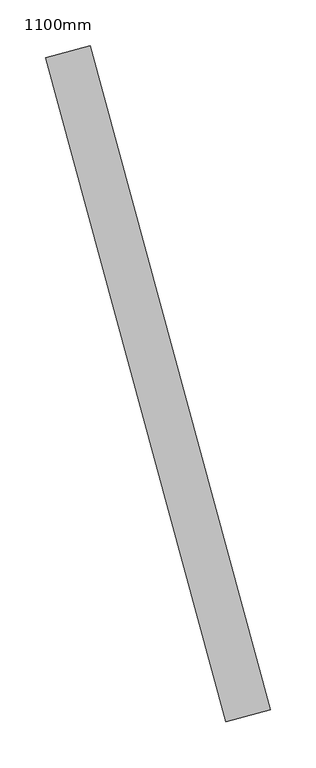
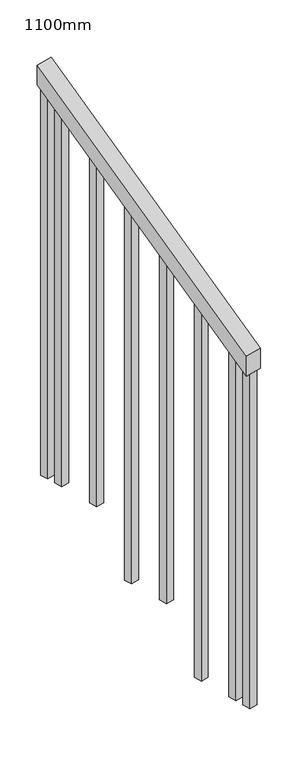
"""IFC4 building model written with IfcOpenShell, lengths in millimetres: railing geometry, 1100mm."""

from ifc_helpers import new_model, si_unit, frame, origin, place, context, project, spatial, polyline, outline, extrude, source, transform, mapped, element, save


def railing_1100mm_8376b59d(model_context):
    return source(origin(), model_context, "Body", "SweptSolid", [
        extrude(outline(polyline([(-35.5555555, -50.0), (0.0, 0.0), (920.2958462, 0.0), (884.7402906, -50.0), (-35.5555555, -50.0)])), frame((220113.0693397, 77414.5171261, 1277.7777778), z_axis=(0.9649894123601832, 0.26228883703419115, 0.0), x_axis=(-0.21375368431595732, 0.7864232597553903, 0.5795237863600252)), (0.0, 0.0, 1.0), 50.0),
        extrude(outline(polyline([(1271.980277, -25.0), (108.8888889, -25.0), (91.1111112, 0.0), (1271.980277, 0.0), (1271.980277, -25.0)])), frame((219941.5295214, 78093.2883252, 1805.3136103), z_axis=(0.9649894123601837, 0.26228883703418915, 0.0), x_axis=(0.0, 0.0, -1.0)), (0.0, 0.0, 1.0), 25.0),
        extrude(outline(polyline([(1183.0913881, -25.0000001), (108.8888889, -25.0000001), (91.1111111, 0.0), (1183.0913881, 0.0), (1183.0913881, -25.0000001)])), frame((219974.315626, 77972.6646487, 1716.4247214), z_axis=(0.9649894123601837, 0.26228883703418915, 0.0), x_axis=(0.0, 0.0, -1.0)), (0.0, 0.0, 1.0), 25.0),
        extrude(outline(polyline([(1271.9802769, -25.0), (108.8888889, -25.0), (91.1111111, 0.0), (1271.9802769, 0.0), (1271.9802769, -25.0)])), frame((220007.1017307, 77852.0409721, 1627.5358325), z_axis=(0.9649894123601837, 0.26228883703418915, 0.0), x_axis=(0.0, 0.0, -1.0)), (0.0, 0.0, 1.0), 25.0),
        extrude(outline(polyline([(1183.091388, -25.0), (108.8888889, -25.0), (91.1111111, 0.0), (1183.091388, 0.0), (1183.091388, -25.0)])), frame((220039.8878353, 77731.4172956, 1538.6469436), z_axis=(0.9649894123601837, 0.26228883703418915, 0.0), x_axis=(0.0, 0.0, -1.0)), (0.0, 0.0, 1.0), 25.0),
        extrude(outline(polyline([(1271.9802769, -25.0), (108.8888889, -25.0), (91.1111111, 0.0), (1271.9802769, 0.0), (1271.9802769, -25.0)])), frame((220072.6739399, 77610.793619, 1449.7580547), z_axis=(0.9649894123601837, 0.26228883703418915, 0.0), x_axis=(0.0, 0.0, -1.0)), (0.0, 0.0, 1.0), 25.0),
        extrude(outline(polyline([(1183.091388, -25.0), (108.8888889, -25.0), (91.1111111, 0.0), (1183.091388, 0.0), (1183.091388, -25.0)])), frame((220105.4600445, 77490.1699425, 1360.8691658), z_axis=(0.9649894123601837, 0.26228883703418915, 0.0), x_axis=(0.0, 0.0, -1.0)), (0.0, 0.0, 1.0), 25.0),
        extrude(outline(polyline([(1307.5358325, -25.0), (108.8888889, -25.0), (91.1111111, 0.0), (1307.5358325, 0.0), (1307.5358325, -25.0)])), frame((219928.4150796, 78141.5377958, 1840.8691658), z_axis=(0.9649894123601837, 0.26228883703418915, 0.0), x_axis=(0.0, 0.0, -1.0)), (0.0, 0.0, 1.0), 25.0),
        extrude(outline(polyline([(1147.5358325, -25.0), (108.8888889, -25.0), (91.1111112, 0.0), (1147.5358325, 0.0), (1147.5358325, -25.0)])), frame((220118.5744864, 77441.9204719, 1325.3136103), z_axis=(0.9649894123601837, 0.26228883703418915, 0.0), x_axis=(0.0, 0.0, -1.0)), (0.0, 0.0, 1.0), 25.0),
    ])


if __name__ == "__main__":
    model = new_model("IFC4")
    model_context = context("Model", 3, world=origin())
    ifc_project = project(units=[si_unit("LENGTHUNIT", "METRE", prefix="MILLI")], contexts=[model_context])
    site = spatial("IfcSite", under=ifc_project)
    building = spatial("IfcBuilding", under=site)
    placement = place(None, origin())
    railing_1100mm_shape = railing_1100mm_8376b59d(model_context)
    element("IfcRailing", 1, ObjectType="1100mm", at=placement, inside=building, context=model_context, shape_type="MappedRepresentation", body=[
        mapped(railing_1100mm_shape, transform((0.0, 0.0, 0.0), x_axis=(1.0, 0.0, 0.0), y_axis=(0.0, 1.0, 0.0), z_axis=(0.0, 0.0, 1.0))),
    ])
    save(model, "model.ifc")
